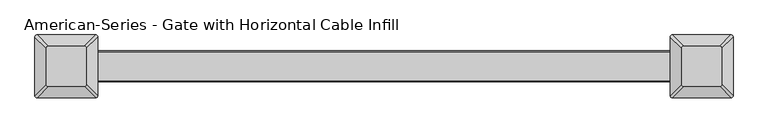
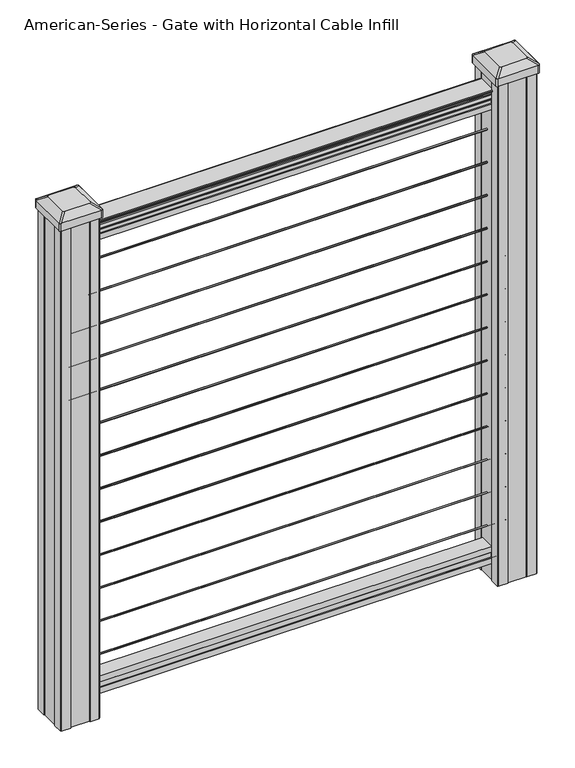
"""IFC4 building model written with IfcOpenShell, lengths in millimetres: proxy geometry, American-Series - Gate with Horizontal Cable Infill."""

from ifc_helpers import new_model, si_unit, point, frame, frame_2d, origin, place, context, project, spatial, polyline, circle_curve, trimmed, segment, composite_curve, outline, extrude, source, transform, mapped, element, save
from ifc_brep_helpers import plane_surface, extruded_surface, advanced_brep


def american_series_gate_with_horizontal_cable_infill_ca064a09(model_context):
    return source(origin(), model_context, "Body", "SolidModel", [
        extrude(outline(composite_curve([segment(trimmed(circle_curve(frame_2d((0.0, 941.3875)), 1.5875), [point((1.5875, 941.3875))], [point((0.0, 939.8))], False, "CARTESIAN"), True, "CONTINUOUS"), segment(trimmed(circle_curve(frame_2d((0.0, 941.3875)), 1.5875), [point((0.0, 939.8))], [point((-1.5875, 941.3875))], False, "CARTESIAN"), True, "CONTINUOUS"), segment(trimmed(circle_curve(frame_2d((0.0, 941.3875)), 1.5875), [point((-1.5875, 941.3875))], [point((0.0, 942.975))], False, "CARTESIAN"), True, "CONTINUOUS"), segment(trimmed(circle_curve(frame_2d((0.0, 941.3875)), 1.5875), [point((0.0, 942.975))], [point((1.5875, 941.3875))], False, "CARTESIAN"), True, "CONTINUOUS")], self_intersect=False)), frame((-457.2, 0.0, 0.0), z_axis=(1.0, 0.0, 0.0), x_axis=(0.0, 1.0, 0.0)), (0.0, 0.0, 1.0), 914.4),
        extrude(outline(composite_curve([segment(trimmed(circle_curve(frame_2d((0.0, 868.3625)), 1.5875), [point((1.5875, 868.3625))], [point((0.0, 866.775))], False, "CARTESIAN"), True, "CONTINUOUS"), segment(trimmed(circle_curve(frame_2d((0.0, 868.3625)), 1.5875), [point((0.0, 866.775))], [point((-1.5875, 868.3625))], False, "CARTESIAN"), True, "CONTINUOUS"), segment(trimmed(circle_curve(frame_2d((0.0, 868.3625)), 1.5875), [point((-1.5875, 868.3625))], [point((0.0, 869.95))], False, "CARTESIAN"), True, "CONTINUOUS"), segment(trimmed(circle_curve(frame_2d((0.0, 868.3625)), 1.5875), [point((0.0, 869.95))], [point((1.5875, 868.3625))], False, "CARTESIAN"), True, "CONTINUOUS")], self_intersect=False)), frame((-457.2, 0.0, 0.0), z_axis=(1.0, 0.0, 0.0), x_axis=(0.0, 1.0, 0.0)), (0.0, 0.0, 1.0), 914.4),
        extrude(outline(composite_curve([segment(trimmed(circle_curve(frame_2d((0.0, 795.3375)), 1.5875), [point((1.5875, 795.3375))], [point((0.0, 793.75))], False, "CARTESIAN"), True, "CONTINUOUS"), segment(trimmed(circle_curve(frame_2d((0.0, 795.3375)), 1.5875), [point((0.0, 793.75))], [point((-1.5875, 795.3375))], False, "CARTESIAN"), True, "CONTINUOUS"), segment(trimmed(circle_curve(frame_2d((0.0, 795.3375)), 1.5875), [point((-1.5875, 795.3375))], [point((0.0, 796.925))], False, "CARTESIAN"), True, "CONTINUOUS"), segment(trimmed(circle_curve(frame_2d((0.0, 795.3375)), 1.5875), [point((0.0, 796.925))], [point((1.5875, 795.3375))], False, "CARTESIAN"), True, "CONTINUOUS")], self_intersect=False)), frame((-457.2, 0.0, 0.0), z_axis=(1.0, 0.0, 0.0), x_axis=(0.0, 1.0, 0.0)), (0.0, 0.0, 1.0), 914.4),
        extrude(outline(composite_curve([segment(trimmed(circle_curve(frame_2d((0.0, 722.3125)), 1.5875), [point((1.5875, 722.3125))], [point((0.0, 720.725))], False, "CARTESIAN"), True, "CONTINUOUS"), segment(trimmed(circle_curve(frame_2d((0.0, 722.3125)), 1.5875), [point((0.0, 720.725))], [point((-1.5875, 722.3125))], False, "CARTESIAN"), True, "CONTINUOUS"), segment(trimmed(circle_curve(frame_2d((0.0, 722.3125)), 1.5875), [point((-1.5875, 722.3125))], [point((0.0, 723.9))], False, "CARTESIAN"), True, "CONTINUOUS"), segment(trimmed(circle_curve(frame_2d((0.0, 722.3125)), 1.5875), [point((0.0, 723.9))], [point((1.5875, 722.3125))], False, "CARTESIAN"), True, "CONTINUOUS")], self_intersect=False)), frame((-457.2, 0.0, 0.0), z_axis=(1.0, 0.0, 0.0), x_axis=(0.0, 1.0, 0.0)), (0.0, 0.0, 1.0), 914.4),
        extrude(outline(polyline([(-15.9124869, 76.0541976), (-14.8964869, 77.3546183), (-14.8964869, 87.7141717), (-15.9124869, 89.0624492), (-15.9124869, 101.5958781), (15.8375131, 101.5958781), (15.8375131, 89.0458024), (14.8215131, 87.6975248), (14.8215131, 77.3858283), (15.8375131, 76.0375508), (15.8375131, 63.5), (-15.9124869, 63.5), (-15.9124869, 76.0541976)])), frame((-457.2, 0.0, 0.0), z_axis=(1.0, 0.0, 0.0), x_axis=(0.0, 1.0, 0.0)), (0.0, 0.0, 1.0), 914.4),
        extrude(outline(composite_curve([segment(trimmed(circle_curve(frame_2d((0.0, 649.2875)), 1.5875), [point((1.5875, 649.2875))], [point((0.0, 647.7))], False, "CARTESIAN"), True, "CONTINUOUS"), segment(trimmed(circle_curve(frame_2d((0.0, 649.2875)), 1.5875), [point((0.0, 647.7))], [point((-1.5875, 649.2875))], False, "CARTESIAN"), True, "CONTINUOUS"), segment(trimmed(circle_curve(frame_2d((0.0, 649.2875)), 1.5875), [point((-1.5875, 649.2875))], [point((0.0, 650.875))], False, "CARTESIAN"), True, "CONTINUOUS"), segment(trimmed(circle_curve(frame_2d((0.0, 649.2875)), 1.5875), [point((0.0, 650.875))], [point((1.5875, 649.2875))], False, "CARTESIAN"), True, "CONTINUOUS")], self_intersect=False)), frame((-457.2, 0.0, 0.0), z_axis=(1.0, 0.0, 0.0), x_axis=(0.0, 1.0, 0.0)), (0.0, 0.0, 1.0), 914.4),
        extrude(outline(composite_curve([segment(trimmed(circle_curve(frame_2d((0.0, 576.2625)), 1.5875), [point((1.5875, 576.2625))], [point((0.0, 574.675))], False, "CARTESIAN"), True, "CONTINUOUS"), segment(trimmed(circle_curve(frame_2d((0.0, 576.2625)), 1.5875), [point((0.0, 574.675))], [point((-1.5875, 576.2625))], False, "CARTESIAN"), True, "CONTINUOUS"), segment(trimmed(circle_curve(frame_2d((0.0, 576.2625)), 1.5875), [point((-1.5875, 576.2625))], [point((0.0, 577.85))], False, "CARTESIAN"), True, "CONTINUOUS"), segment(trimmed(circle_curve(frame_2d((0.0, 576.2625)), 1.5875), [point((0.0, 577.85))], [point((1.5875, 576.2625))], False, "CARTESIAN"), True, "CONTINUOUS")], self_intersect=False)), frame((-457.2, 0.0, 0.0), z_axis=(1.0, 0.0, 0.0), x_axis=(0.0, 1.0, 0.0)), (0.0, 0.0, 1.0), 914.4),
        extrude(outline(composite_curve([segment(trimmed(circle_curve(frame_2d((0.0, 503.2375)), 1.5875), [point((1.5875, 503.2375))], [point((0.0, 501.65))], False, "CARTESIAN"), True, "CONTINUOUS"), segment(trimmed(circle_curve(frame_2d((0.0, 503.2375)), 1.5875), [point((0.0, 501.65))], [point((-1.5875, 503.2375))], False, "CARTESIAN"), True, "CONTINUOUS"), segment(trimmed(circle_curve(frame_2d((0.0, 503.2375)), 1.5875), [point((-1.5875, 503.2375))], [point((0.0, 504.825))], False, "CARTESIAN"), True, "CONTINUOUS"), segment(trimmed(circle_curve(frame_2d((0.0, 503.2375)), 1.5875), [point((0.0, 504.825))], [point((1.5875, 503.2375))], False, "CARTESIAN"), True, "CONTINUOUS")], self_intersect=False)), frame((-457.2, 0.0, 0.0), z_axis=(1.0, 0.0, 0.0), x_axis=(0.0, 1.0, 0.0)), (0.0, 0.0, 1.0), 914.4),
        extrude(outline(composite_curve([segment(trimmed(circle_curve(frame_2d((0.0, 430.2125)), 1.5875), [point((1.5875, 430.2125))], [point((0.0, 428.625))], False, "CARTESIAN"), True, "CONTINUOUS"), segment(trimmed(circle_curve(frame_2d((0.0, 430.2125)), 1.5875), [point((0.0, 428.625))], [point((-1.5875, 430.2125))], False, "CARTESIAN"), True, "CONTINUOUS"), segment(trimmed(circle_curve(frame_2d((0.0, 430.2125)), 1.5875), [point((-1.5875, 430.2125))], [point((0.0, 431.8))], False, "CARTESIAN"), True, "CONTINUOUS"), segment(trimmed(circle_curve(frame_2d((0.0, 430.2125)), 1.5875), [point((0.0, 431.8))], [point((1.5875, 430.2125))], False, "CARTESIAN"), True, "CONTINUOUS")], self_intersect=False)), frame((-457.2, 0.0, 0.0), z_axis=(1.0, 0.0, 0.0), x_axis=(0.0, 1.0, 0.0)), (0.0, 0.0, 1.0), 914.4),
        extrude(outline(composite_curve([segment(trimmed(circle_curve(frame_2d((0.0, 357.1875)), 1.5875), [point((1.5875, 357.1875))], [point((0.0, 355.6))], False, "CARTESIAN"), True, "CONTINUOUS"), segment(trimmed(circle_curve(frame_2d((0.0, 357.1875)), 1.5875), [point((0.0, 355.6))], [point((-1.5875, 357.1875))], False, "CARTESIAN"), True, "CONTINUOUS"), segment(trimmed(circle_curve(frame_2d((0.0, 357.1875)), 1.5875), [point((-1.5875, 357.1875))], [point((0.0, 358.775))], False, "CARTESIAN"), True, "CONTINUOUS"), segment(trimmed(circle_curve(frame_2d((0.0, 357.1875)), 1.5875), [point((0.0, 358.775))], [point((1.5875, 357.1875))], False, "CARTESIAN"), True, "CONTINUOUS")], self_intersect=False)), frame((-457.2, 0.0, 0.0), z_axis=(1.0, 0.0, 0.0), x_axis=(0.0, 1.0, 0.0)), (0.0, 0.0, 1.0), 914.4),
        extrude(outline(composite_curve([segment(trimmed(circle_curve(frame_2d((0.0, 284.1625)), 1.5875), [point((1.5875, 284.1625))], [point((0.0, 282.575))], False, "CARTESIAN"), True, "CONTINUOUS"), segment(trimmed(circle_curve(frame_2d((0.0, 284.1625)), 1.5875), [point((0.0, 282.575))], [point((-1.5875, 284.1625))], False, "CARTESIAN"), True, "CONTINUOUS"), segment(trimmed(circle_curve(frame_2d((0.0, 284.1625)), 1.5875), [point((-1.5875, 284.1625))], [point((0.0, 285.75))], False, "CARTESIAN"), True, "CONTINUOUS"), segment(trimmed(circle_curve(frame_2d((0.0, 284.1625)), 1.5875), [point((0.0, 285.75))], [point((1.5875, 284.1625))], False, "CARTESIAN"), True, "CONTINUOUS")], self_intersect=False)), frame((-457.2, 0.0, 0.0), z_axis=(1.0, 0.0, 0.0), x_axis=(0.0, 1.0, 0.0)), (0.0, 0.0, 1.0), 914.4),
        extrude(outline(composite_curve([segment(trimmed(circle_curve(frame_2d((0.0, 211.1375)), 1.5875), [point((1.5875, 211.1375))], [point((0.0, 209.55))], False, "CARTESIAN"), True, "CONTINUOUS"), segment(trimmed(circle_curve(frame_2d((0.0, 211.1375)), 1.5875), [point((0.0, 209.55))], [point((-1.5875, 211.1375))], False, "CARTESIAN"), True, "CONTINUOUS"), segment(trimmed(circle_curve(frame_2d((0.0, 211.1375)), 1.5875), [point((-1.5875, 211.1375))], [point((0.0, 212.725))], False, "CARTESIAN"), True, "CONTINUOUS"), segment(trimmed(circle_curve(frame_2d((0.0, 211.1375)), 1.5875), [point((0.0, 212.725))], [point((1.5875, 211.1375))], False, "CARTESIAN"), True, "CONTINUOUS")], self_intersect=False)), frame((-457.2, 0.0, 0.0), z_axis=(1.0, 0.0, 0.0), x_axis=(0.0, 1.0, 0.0)), (0.0, 0.0, 1.0), 914.4),
        extrude(outline(composite_curve([segment(trimmed(circle_curve(frame_2d((0.0, 138.1125)), 1.5875), [point((1.5875, 138.1125))], [point((0.0, 136.525))], False, "CARTESIAN"), True, "CONTINUOUS"), segment(trimmed(circle_curve(frame_2d((0.0, 138.1125)), 1.5875), [point((0.0, 136.525))], [point((-1.5875, 138.1125))], False, "CARTESIAN"), True, "CONTINUOUS"), segment(trimmed(circle_curve(frame_2d((0.0, 138.1125)), 1.5875), [point((-1.5875, 138.1125))], [point((0.0, 139.7))], False, "CARTESIAN"), True, "CONTINUOUS"), segment(trimmed(circle_curve(frame_2d((0.0, 138.1125)), 1.5875), [point((0.0, 139.7))], [point((1.5875, 138.1125))], False, "CARTESIAN"), True, "CONTINUOUS")], self_intersect=False)), frame((-457.2, 0.0, 0.0), z_axis=(1.0, 0.0, 0.0), x_axis=(0.0, 1.0, 0.0)), (0.0, 0.0, 1.0), 914.4),
        extrude(outline(composite_curve([segment(trimmed(circle_curve(frame_2d((0.0, 1014.4125)), 1.5875), [point((1.5875, 1014.4125))], [point((0.0, 1012.825))], False, "CARTESIAN"), True, "CONTINUOUS"), segment(trimmed(circle_curve(frame_2d((0.0, 1014.4125)), 1.5875), [point((0.0, 1012.825))], [point((-1.5875, 1014.4125))], False, "CARTESIAN"), True, "CONTINUOUS"), segment(trimmed(circle_curve(frame_2d((0.0, 1014.4125)), 1.5875), [point((-1.5875, 1014.4125))], [point((0.0, 1016.0))], False, "CARTESIAN"), True, "CONTINUOUS"), segment(trimmed(circle_curve(frame_2d((0.0, 1014.4125)), 1.5875), [point((0.0, 1016.0))], [point((1.5875, 1014.4125))], False, "CARTESIAN"), True, "CONTINUOUS")], self_intersect=False)), frame((-457.2, 0.0, 0.0), z_axis=(1.0, 0.0, 0.0), x_axis=(0.0, 1.0, 0.0)), (0.0, 0.0, 1.0), 914.4),
        extrude(outline(composite_curve([segment(trimmed(circle_curve(frame_2d((0.0, 65.0875)), 1.5875), [point((1.5875, 65.0875))], [point((0.0, 63.5))], False, "CARTESIAN"), True, "CONTINUOUS"), segment(trimmed(circle_curve(frame_2d((0.0, 65.0875)), 1.5875), [point((0.0, 63.5))], [point((-1.5875, 65.0875))], False, "CARTESIAN"), True, "CONTINUOUS"), segment(trimmed(circle_curve(frame_2d((0.0, 65.0875)), 1.5875), [point((-1.5875, 65.0875))], [point((0.0, 66.675))], False, "CARTESIAN"), True, "CONTINUOUS"), segment(trimmed(circle_curve(frame_2d((0.0, 65.0875)), 1.5875), [point((0.0, 66.675))], [point((1.5875, 65.0875))], False, "CARTESIAN"), True, "CONTINUOUS")], self_intersect=False)), frame((-457.2, 0.0, 0.0), z_axis=(1.0, 0.0, 0.0), x_axis=(0.0, 1.0, 0.0)), (0.0, 0.0, 1.0), 914.4),
        extrude(outline(composite_curve([segment(polyline([(1090.8043297, 17.4328287), (1092.692412, 17.4328287)]), True, "CONTINUOUS"), segment(trimmed(circle_curve(frame_2d((1098.4506383, 11.1180755)), 8.545951), [point((1092.692412, 17.4328287))], [point((1094.2546695, 18.563015))], False, "CARTESIAN"), True, "CONTINUOUS"), segment(trimmed(circle_curve(frame_2d((1097.8636577, 11.5551384)), 7.882584), [point((1094.2546695, 18.563015))], [point((1101.4726458, 18.563015))], False, "CARTESIAN"), True, "CONTINUOUS"), segment(trimmed(circle_curve(frame_2d((1103.7112527, 22.0684625)), 4.1592695), [point((1101.4726458, 18.563015))], [point((1103.9060812, 17.9137586))], True, "CARTESIAN"), True, "CONTINUOUS"), segment(trimmed(circle_curve(frame_2d((1103.6508864, 23.3557691)), 5.4479907), [point((1103.9060812, 17.9137586))], [point((1108.2362083, 20.4137586))], True, "CARTESIAN"), True, "CONTINUOUS"), segment(trimmed(circle_curve(frame_2d((1108.233395, 22.1226107)), 1.7088543), [point((1108.2362083, 20.4137586))], [point((1109.9157972, 21.8231011))], True, "CARTESIAN"), True, "CONTINUOUS"), segment(trimmed(circle_curve(frame_2d((1111.0205318, 20.5057106)), 1.7192895), [point((1109.9157972, 21.8231011))], [point((1111.0205318, 22.2250001))], False, "CARTESIAN"), True, "CONTINUOUS"), segment(polyline([(1111.0205318, 22.2250001), (1112.3608158, 22.225)]), True, "CONTINUOUS"), segment(trimmed(circle_curve(frame_2d((1112.3608158, 20.6715528)), 1.5534472), [point((1112.3608158, 22.225))], [point((1113.914263, 20.6715528))], False, "CARTESIAN"), True, "CONTINUOUS"), segment(polyline([(1113.914263, 20.6715528), (1113.914263, -20.6715528)]), True, "CONTINUOUS"), segment(trimmed(circle_curve(frame_2d((1112.3608158, -20.6715528)), 1.5534472), [point((1113.914263, -20.6715528))], [point((1112.3608158, -22.225))], False, "CARTESIAN"), True, "CONTINUOUS"), segment(polyline([(1112.3608158, -22.225), (1111.0205318, -22.225)]), True, "CONTINUOUS"), segment(trimmed(circle_curve(frame_2d((1111.0205318, -20.5057106)), 1.7192895), [point((1111.0205318, -22.225))], [point((1109.9157972, -21.8231011))], False, "CARTESIAN"), True, "CONTINUOUS"), segment(trimmed(circle_curve(frame_2d((1108.233395, -22.1226107)), 1.7088543), [point((1109.9157972, -21.8231011))], [point((1108.2362083, -20.4137586))], True, "CARTESIAN"), True, "CONTINUOUS"), segment(trimmed(circle_curve(frame_2d((1103.6508864, -23.3557691)), 5.4479907), [point((1108.2362083, -20.4137586))], [point((1103.9060812, -17.9137586))], True, "CARTESIAN"), True, "CONTINUOUS"), segment(trimmed(circle_curve(frame_2d((1103.7112527, -22.0684625)), 4.1592695), [point((1103.9060812, -17.9137586))], [point((1101.4726458, -18.563015))], True, "CARTESIAN"), True, "CONTINUOUS"), segment(trimmed(circle_curve(frame_2d((1097.8636577, -11.5551384)), 7.882584), [point((1101.4726458, -18.563015))], [point((1094.2546695, -18.563015))], False, "CARTESIAN"), True, "CONTINUOUS"), segment(trimmed(circle_curve(frame_2d((1098.4506383, -11.1180755)), 8.545951), [point((1094.2546695, -18.563015))], [point((1092.692412, -17.4328287))], False, "CARTESIAN"), True, "CONTINUOUS"), segment(polyline([(1092.692412, -17.4328287), (1090.8043297, -17.4328287)]), True, "CONTINUOUS"), segment(trimmed(circle_curve(frame_2d((1090.8043297, -16.1459144)), 1.2869144), [point((1090.8043297, -17.4328287))], [point((1090.8043297, -14.859))], False, "CARTESIAN"), True, "CONTINUOUS"), segment(polyline([(1090.8043297, -14.859), (1080.3048283, -14.859), (1079.2888283, -15.875), (1066.8, -15.875), (1066.8, 15.875), (1079.131013, 15.875), (1080.147013, 14.859), (1090.8043297, 14.859)]), True, "CONTINUOUS"), segment(trimmed(circle_curve(frame_2d((1090.8043297, 16.1459144)), 1.2869144), [point((1090.8043297, 14.859))], [point((1090.8043297, 17.4328287))], False, "CARTESIAN"), True, "CONTINUOUS")], self_intersect=False)), frame((457.2, 0.0, 0.0), z_axis=(-1.0, 0.0, 0.0), x_axis=(0.0, 0.0, 1.0)), (0.0, 0.0, 1.0), 914.4),
        advanced_brep(
        [(431.403125, 28.971875, 1165.225), (428.228125, 25.796875, 1165.225), (428.228125, -25.796875, 1165.225), (431.403125, -28.971875, 1165.225), (482.996875, -28.971875, 1165.225), (486.171875, -25.796875, 1165.225), (486.171875, 25.796875, 1165.225), (482.996875, 28.971875, 1165.225), (415.13125, 45.24375, 1153.922), (499.26875, 45.24375, 1153.922), (502.44375, 42.06875, 1153.922), (502.44375, -42.06875, 1153.922), (499.26875, -45.24375, 1153.922), (415.13125, -45.24375, 1153.922), (411.95625, -42.06875, 1153.922), (411.95625, 42.06875, 1153.922)],
        [
            (0, 1, circle_curve(frame((431.403125, 25.796875, 1165.225), z_axis=(0.0, 0.0, 1.0), x_axis=(0.0, -1.0, 0.0)), 3.175)),
            (1, 2),
            (2, 3, circle_curve(frame((431.403125, -25.796875, 1165.225), z_axis=(0.0, 0.0, 1.0), x_axis=(0.0, -1.0, 0.0)), 3.175)),
            (3, 4),
            (4, 5, circle_curve(frame((482.996875, -25.796875, 1165.225), z_axis=(0.0, 0.0, 1.0), x_axis=(0.0, -1.0, 0.0)), 3.175)),
            (5, 6),
            (6, 7, circle_curve(frame((482.996875, 25.796875, 1165.225), z_axis=(0.0, 0.0, 1.0), x_axis=(0.0, -1.0, 0.0)), 3.175)),
            (7, 0),
            (8, 9),
            (9, 10, circle_curve(frame((499.26875, 42.06875, 1153.922), z_axis=(0.0, 0.0, -1.0), x_axis=(0.0, -1.0, 0.0)), 3.175)),
            (10, 11),
            (11, 12, circle_curve(frame((499.26875, -42.06875, 1153.922), z_axis=(0.0, 0.0, -1.0), x_axis=(0.0, -1.0, 0.0)), 3.175)),
            (12, 13),
            (13, 14, circle_curve(frame((415.13125, -42.06875, 1153.922), z_axis=(0.0, 0.0, -1.0), x_axis=(0.0, -1.0, 0.0)), 3.175)),
            (14, 15),
            (15, 8, circle_curve(frame((415.13125, 42.06875, 1153.922), z_axis=(0.0, 0.0, -1.0), x_axis=(0.0, -1.0, 0.0)), 3.175)),
            (15, 1),
            (0, 8),
            (14, 2),
            (13, 3),
            (12, 4),
            (11, 5),
            (10, 6),
            (9, 7),
        ],
        [
            plane_surface(frame((457.2, 0.0, 1165.225), z_axis=(0.0, 0.0, 1.0), x_axis=(-1.0, 0.0, 0.0))),
            plane_surface(frame((457.2, 0.0, 1153.922), z_axis=(0.0, 0.0, -1.0), x_axis=(-1.0, 0.0, 0.0))),
            extruded_surface(trimmed(circle_curve(frame((415.13125, 42.06875, 1153.922), z_axis=(0.0, 0.0, 1.0), x_axis=(0.0, -1.0, 0.0)), 3.175), [point((415.13125, 45.24375, 1153.922))], [point((411.95625, 42.06875, 1153.922))], True, "CARTESIAN"), (16.271874999999966, -16.271875, 11.302999999999884), 25.637972638866092),
            plane_surface(frame((411.95625, 0.0, 1153.922), z_axis=(-0.5705009161540777, 0.0, 0.8212969649690409), x_axis=(0.0, -1.0, 0.0))),
            extruded_surface(trimmed(circle_curve(frame((415.13125, -42.06875, 1153.922), z_axis=(0.0, 0.0, 1.0), x_axis=(0.0, -1.0, 0.0)), 3.175), [point((411.95625, -42.06875, 1153.922))], [point((415.13125, -45.24375, 1153.922))], True, "CARTESIAN"), (16.271874999999966, 16.271875, 11.302999999999884), 25.637972638866092),
            plane_surface(frame((457.2, -45.24375, 1153.922), z_axis=(0.0, -0.5705009161540291, 0.8212969649690747), x_axis=(1.0, 0.0, 0.0))),
            extruded_surface(trimmed(circle_curve(frame((499.26875, -42.06875, 1153.922), z_axis=(0.0, 0.0, 1.0), x_axis=(0.0, -1.0, 0.0)), 3.175), [point((499.26875, -45.24375, 1153.922))], [point((502.44375, -42.06875, 1153.922))], True, "CARTESIAN"), (-16.271875000000023, 16.271875, 11.302999999999884), 25.637972638866128),
            plane_surface(frame((502.44375, 0.0, 1153.922), z_axis=(0.5705009161540143, 0.0, 0.821296964969085), x_axis=(0.0, 1.0, 0.0))),
            extruded_surface(trimmed(circle_curve(frame((499.26875, 42.06875, 1153.922), z_axis=(0.0, 0.0, 1.0), x_axis=(0.0, -1.0, 0.0)), 3.175), [point((502.44375, 42.06875, 1153.922))], [point((499.26875, 45.24375, 1153.922))], True, "CARTESIAN"), (-16.271875000000023, -16.271875, 11.302999999999884), 25.637972638866128),
            plane_surface(frame((457.2, 45.24375, 1153.922), z_axis=(0.0, 0.570500916154034, 0.8212969649690713), x_axis=(-1.0, 0.0, 0.0))),
        ],
        [
            (0, [[1, 2, 3, 4, 5, 6, 7, 8]]),
            (1, [[9, 10, 11, 12, 13, 14, 15, 16]]),
            (2, [[-16, 17, -1, 18]]),
            (3, [[-15, 19, -2, -17]]),
            (4, [[-14, 20, -3, -19]]),
            (5, [[-13, 21, -4, -20]]),
            (6, [[-12, 22, -5, -21]]),
            (7, [[-11, 23, -6, -22]]),
            (8, [[-10, 24, -7, -23]]),
            (9, [[-9, -18, -8, -24]]),
        ],
    ),
        extrude(outline(composite_curve([segment(polyline([(415.13125, 45.24375), (499.26875, 45.24375)]), True, "CONTINUOUS"), segment(trimmed(circle_curve(frame_2d((499.26875, 42.06875)), 3.175), [point((499.26875, 45.24375))], [point((502.44375, 42.06875))], False, "CARTESIAN"), True, "CONTINUOUS"), segment(polyline([(502.44375, 42.06875), (502.44375, -42.06875)]), True, "CONTINUOUS"), segment(trimmed(circle_curve(frame_2d((499.26875, -42.06875)), 3.175), [point((502.44375, -42.06875))], [point((499.26875, -45.24375))], False, "CARTESIAN"), True, "CONTINUOUS"), segment(polyline([(499.26875, -45.24375), (415.13125, -45.24375)]), True, "CONTINUOUS"), segment(trimmed(circle_curve(frame_2d((415.13125, -42.06875)), 3.175), [point((415.13125, -45.24375))], [point((411.95625, -42.06875))], False, "CARTESIAN"), True, "CONTINUOUS"), segment(polyline([(411.95625, -42.06875), (411.95625, 42.06875)]), True, "CONTINUOUS"), segment(trimmed(circle_curve(frame_2d((415.13125, 42.06875)), 3.175), [point((411.95625, 42.06875))], [point((415.13125, 45.24375))], False, "CARTESIAN"), True, "CONTINUOUS")], self_intersect=False)), frame((0.0, 0.0, 1136.65), z_axis=(0.0, 0.0, 1.0), x_axis=(1.0, 0.0, 0.0)), (0.0, 0.0, 1.0), 17.272),
        extrude(outline(polyline([(417.5125, 41.275), (437.134, 41.275), (437.896, 39.6875), (476.504, 39.6875), (477.266, 41.275), (496.8875, 41.275), (498.475, 39.6875), (498.475, 20.066), (496.8875, 19.304), (496.8875, -19.304), (498.475, -20.066), (498.475, -39.6875), (496.8875, -41.275), (477.266, -41.275), (476.504, -39.6875), (437.896, -39.6875), (437.134, -41.275), (417.5125, -41.275), (415.925, -39.6875), (415.925, -20.066), (417.5125, -19.304), (417.5125, 19.304), (415.925, 20.066), (415.925, 39.6875), (417.5125, 41.275)])), frame((0.0, 0.0, 28.575), z_axis=(0.0, 0.0, 1.0), x_axis=(1.0, 0.0, 0.0)), (0.0, 0.0, 1.0), 1108.075),
        advanced_brep(
        [(-482.996875, 28.971875, 1165.225), (-486.171875, 25.796875, 1165.225), (-486.171875, -25.796875, 1165.225), (-482.996875, -28.971875, 1165.225), (-431.403125, -28.971875, 1165.225), (-428.228125, -25.796875, 1165.225), (-428.228125, 25.796875, 1165.225), (-431.403125, 28.971875, 1165.225), (-499.26875, 45.24375, 1153.922), (-415.13125, 45.24375, 1153.922), (-411.95625, 42.06875, 1153.922), (-411.95625, -42.06875, 1153.922), (-415.13125, -45.24375, 1153.922), (-499.26875, -45.24375, 1153.922), (-502.44375, -42.06875, 1153.922), (-502.44375, 42.06875, 1153.922)],
        [
            (0, 1, circle_curve(frame((-482.996875, 25.796875, 1165.225), z_axis=(0.0, 0.0, 1.0), x_axis=(0.0, -1.0, 0.0)), 3.175)),
            (1, 2),
            (2, 3, circle_curve(frame((-482.996875, -25.796875, 1165.225), z_axis=(0.0, 0.0, 1.0), x_axis=(0.0, -1.0, 0.0)), 3.175)),
            (3, 4),
            (4, 5, circle_curve(frame((-431.403125, -25.796875, 1165.225), z_axis=(0.0, 0.0, 1.0), x_axis=(0.0, -1.0, 0.0)), 3.175)),
            (5, 6),
            (6, 7, circle_curve(frame((-431.403125, 25.796875, 1165.225), z_axis=(0.0, 0.0, 1.0), x_axis=(0.0, -1.0, 0.0)), 3.175)),
            (7, 0),
            (8, 9),
            (9, 10, circle_curve(frame((-415.13125, 42.06875, 1153.922), z_axis=(0.0, 0.0, -1.0), x_axis=(0.0, -1.0, 0.0)), 3.175)),
            (10, 11),
            (11, 12, circle_curve(frame((-415.13125, -42.06875, 1153.922), z_axis=(0.0, 0.0, -1.0), x_axis=(0.0, -1.0, 0.0)), 3.175)),
            (12, 13),
            (13, 14, circle_curve(frame((-499.26875, -42.06875, 1153.922), z_axis=(0.0, 0.0, -1.0), x_axis=(0.0, -1.0, 0.0)), 3.175)),
            (14, 15),
            (15, 8, circle_curve(frame((-499.26875, 42.06875, 1153.922), z_axis=(0.0, 0.0, -1.0), x_axis=(0.0, -1.0, 0.0)), 3.175)),
            (15, 1),
            (0, 8),
            (14, 2),
            (13, 3),
            (12, 4),
            (11, 5),
            (10, 6),
            (9, 7),
        ],
        [
            plane_surface(frame((-457.2, 0.0, 1165.225), z_axis=(0.0, 0.0, 1.0), x_axis=(-1.0, 0.0, 0.0))),
            plane_surface(frame((-457.2, 0.0, 1153.922), z_axis=(0.0, 0.0, -1.0), x_axis=(-1.0, 0.0, 0.0))),
            extruded_surface(trimmed(circle_curve(frame((-499.26875, 42.06875, 1153.922), z_axis=(0.0, 0.0, 1.0), x_axis=(0.0, -1.0, 0.0)), 3.175), [point((-499.26875, 45.24375, 1153.922))], [point((-502.44375, 42.06875, 1153.922))], True, "CARTESIAN"), (16.271875000000023, -16.271875, 11.302999999999884), 25.637972638866128),
            plane_surface(frame((-502.44375, 0.0, 1153.922), z_axis=(-0.5705009161540777, 0.0, 0.8212969649690409), x_axis=(0.0, -1.0, 0.0))),
            extruded_surface(trimmed(circle_curve(frame((-499.26875, -42.06875, 1153.922), z_axis=(0.0, 0.0, 1.0), x_axis=(0.0, -1.0, 0.0)), 3.175), [point((-502.44375, -42.06875, 1153.922))], [point((-499.26875, -45.24375, 1153.922))], True, "CARTESIAN"), (16.271875000000023, 16.271875, 11.302999999999884), 25.637972638866128),
            plane_surface(frame((-457.2, -45.24375, 1153.922), z_axis=(0.0, -0.5705009161540291, 0.8212969649690747), x_axis=(1.0, 0.0, 0.0))),
            extruded_surface(trimmed(circle_curve(frame((-415.13125, -42.06875, 1153.922), z_axis=(0.0, 0.0, 1.0), x_axis=(0.0, -1.0, 0.0)), 3.175), [point((-415.13125, -45.24375, 1153.922))], [point((-411.95625, -42.06875, 1153.922))], True, "CARTESIAN"), (-16.271874999999966, 16.271875, 11.302999999999884), 25.637972638866092),
            plane_surface(frame((-411.95625, 0.0, 1153.922), z_axis=(0.5705009161540143, 0.0, 0.821296964969085), x_axis=(0.0, 1.0, 0.0))),
            extruded_surface(trimmed(circle_curve(frame((-415.13125, 42.06875, 1153.922), z_axis=(0.0, 0.0, 1.0), x_axis=(0.0, -1.0, 0.0)), 3.175), [point((-411.95625, 42.06875, 1153.922))], [point((-415.13125, 45.24375, 1153.922))], True, "CARTESIAN"), (-16.271874999999966, -16.271875, 11.302999999999884), 25.637972638866092),
            plane_surface(frame((-457.2, 45.24375, 1153.922), z_axis=(0.0, 0.570500916154034, 0.8212969649690713), x_axis=(-1.0, 0.0, 0.0))),
        ],
        [
            (0, [[1, 2, 3, 4, 5, 6, 7, 8]]),
            (1, [[9, 10, 11, 12, 13, 14, 15, 16]]),
            (2, [[-16, 17, -1, 18]]),
            (3, [[-15, 19, -2, -17]]),
            (4, [[-14, 20, -3, -19]]),
            (5, [[-13, 21, -4, -20]]),
            (6, [[-12, 22, -5, -21]]),
            (7, [[-11, 23, -6, -22]]),
            (8, [[-10, 24, -7, -23]]),
            (9, [[-9, -18, -8, -24]]),
        ],
    ),
        extrude(outline(composite_curve([segment(polyline([(-499.26875, 45.24375), (-415.13125, 45.24375)]), True, "CONTINUOUS"), segment(trimmed(circle_curve(frame_2d((-415.13125, 42.06875)), 3.175), [point((-415.13125, 45.24375))], [point((-411.95625, 42.06875))], False, "CARTESIAN"), True, "CONTINUOUS"), segment(polyline([(-411.95625, 42.06875), (-411.95625, -42.06875)]), True, "CONTINUOUS"), segment(trimmed(circle_curve(frame_2d((-415.13125, -42.06875)), 3.175), [point((-411.95625, -42.06875))], [point((-415.13125, -45.24375))], False, "CARTESIAN"), True, "CONTINUOUS"), segment(polyline([(-415.13125, -45.24375), (-499.26875, -45.24375)]), True, "CONTINUOUS"), segment(trimmed(circle_curve(frame_2d((-499.26875, -42.06875)), 3.175), [point((-499.26875, -45.24375))], [point((-502.44375, -42.06875))], False, "CARTESIAN"), True, "CONTINUOUS"), segment(polyline([(-502.44375, -42.06875), (-502.44375, 42.06875)]), True, "CONTINUOUS"), segment(trimmed(circle_curve(frame_2d((-499.26875, 42.06875)), 3.175), [point((-502.44375, 42.06875))], [point((-499.26875, 45.24375))], False, "CARTESIAN"), True, "CONTINUOUS")], self_intersect=False)), frame((0.0, 0.0, 1136.65), z_axis=(0.0, 0.0, 1.0), x_axis=(1.0, 0.0, 0.0)), (0.0, 0.0, 1.0), 17.272),
        extrude(outline(polyline([(-496.8875, 41.275), (-477.266, 41.275), (-476.504, 39.6875), (-437.896, 39.6875), (-437.134, 41.275), (-417.5125, 41.275), (-415.925, 39.6875), (-415.925, 20.066), (-417.5125, 19.304), (-417.5125, -19.304), (-415.925, -20.066), (-415.925, -39.6875), (-417.5125, -41.275), (-437.134, -41.275), (-437.896, -39.6875), (-476.504, -39.6875), (-477.266, -41.275), (-496.8875, -41.275), (-498.475, -39.6875), (-498.475, -20.066), (-496.8875, -19.304), (-496.8875, 19.304), (-498.475, 20.066), (-498.475, 39.6875), (-496.8875, 41.275)])), frame((0.0, 0.0, 28.575), z_axis=(0.0, 0.0, 1.0), x_axis=(1.0, 0.0, 0.0)), (0.0, 0.0, 1.0), 1108.075),
    ])


if __name__ == "__main__":
    model = new_model("IFC4")
    model_context = context("Model", 3, world=origin())
    ifc_project = project(units=[si_unit("LENGTHUNIT", "METRE", prefix="MILLI")], contexts=[model_context])
    site = spatial("IfcSite", under=ifc_project)
    building = spatial("IfcBuilding", under=site)
    placement = place(None, origin())
    american_series_gate_with_horizontal_cable_infill_shape = american_series_gate_with_horizontal_cable_infill_ca064a09(model_context)
    element("IfcBuildingElementProxy", 1, Name="American-Series - Gate with Horizontal Cable Infill", ObjectType="American-Series - Gate with Horizontal Cable Infill", at=placement, inside=building, context=model_context, shape_type="MappedRepresentation", body=[
        mapped(american_series_gate_with_horizontal_cable_infill_shape, transform((0.0, 0.0, 0.0), x_axis=(1.0, 0.0, 0.0), y_axis=(0.0, 1.0, 0.0), z_axis=(0.0, 0.0, 1.0))),
    ])
    save(model, "model.ifc")
